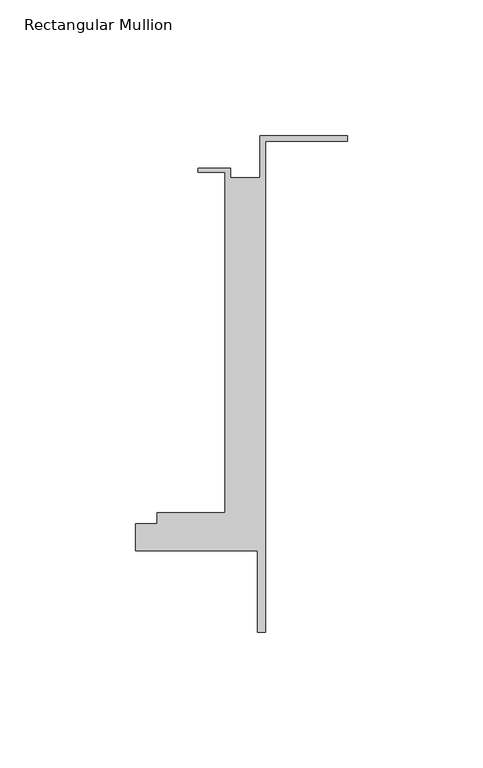
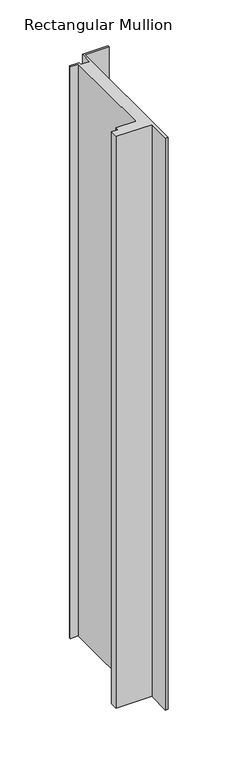
"""IFC4 building model written with IfcOpenShell, lengths in millimetres: member geometry, Rectangular Mullion."""

import ifcopenshell
import ifcopenshell.guid

model = None  # the IFC model being written
_history = None  # IfcOwnerHistory: only IFC2X3 demands one
_inside = {}  # id of a spatial element -> (the spatial element, [elements in it])
_under = {}  # id of a project, library or spatial element -> (it, [spatial elements below it])
_declared = {}  # id of a project -> (the project, [libraries it declares])
_typed = {}  # id of a type object -> (the type object, [elements of that type])
_made_of = {}  # id of a material, layer set ... -> (it, [elements and type objects made of it])


def new_model(schema):
    """Start an empty IFC model of exactly this schema.

    Asked for "IFC4X3", IfcOpenShell would pick the latest addendum, in which some entities
    have other attributes; the version numbers below select the first issue.
    IFC2X3 requires an IfcOwnerHistory on every rooted entity: one is made here for all.
    """
    global model, _history
    if schema == "IFC4X3":
        model = ifcopenshell.file(schema_version=(4, 3, 0, 0))
    else:
        model = ifcopenshell.file(schema=schema)
    _inside.clear()
    _under.clear()
    _declared.clear()
    _typed.clear()
    _made_of.clear()
    _history = None
    if model.schema == "IFC2X3":
        org = make("IfcOrganization", Name="unknown")
        user = make(
            "IfcPersonAndOrganization",
            ThePerson=make("IfcPerson", FamilyName="unknown"),
            TheOrganization=org,
        )
        app = make(
            "IfcApplication",
            ApplicationDeveloper=org,
            Version="unknown",
            ApplicationFullName="unknown",
            ApplicationIdentifier="unknown",
        )
        _history = make(
            "IfcOwnerHistory",
            OwningUser=user,
            OwningApplication=app,
            ChangeAction="ADDED",
            CreationDate=0,
        )
    return model


def make(cls, **values):
    """One entity of the class cls with the attributes given. An attribute that is None is left unset."""
    return model.create_entity(
        cls, **{name: value for name, value in values.items() if value is not None}
    )


def rooted(cls, **values):
    """An entity with a GlobalId (a new one), such as an element, a storey or a relation."""
    return make(cls, GlobalId=ifcopenshell.guid.new(), OwnerHistory=_history, **values)


def si_unit(unit_type, name, prefix=None):
    """IfcSIUnit, for example si_unit("LENGTHUNIT", "METRE", prefix="MILLI")."""
    return make("IfcSIUnit", UnitType=unit_type, Prefix=prefix, Name=name)


def assignment(units):
    """IfcUnitAssignment: the units of a project."""
    return None if units is None else make("IfcUnitAssignment", Units=units)


def point(xyz):
    """IfcCartesianPoint."""
    return None if xyz is None else make("IfcCartesianPoint", Coordinates=xyz)


def direction(xyz):
    """IfcDirection."""
    return None if xyz is None else make("IfcDirection", DirectionRatios=xyz)


def frame(location, z_axis=None, x_axis=None):
    """IfcAxis2Placement3D, a coordinate frame: its origin and axes. An axis left out is left unset."""
    return make(
        "IfcAxis2Placement3D",
        Location=point(location),
        Axis=direction(z_axis),
        RefDirection=direction(x_axis),
    )


def origin():
    """The frame at (0, 0, 0) with its axes left unset."""
    return frame((0.0, 0.0, 0.0))


def place(relative_to, where):
    """IfcLocalPlacement: puts the frame where relative to a parent placement (None: the world)."""
    return make(
        "IfcLocalPlacement", PlacementRelTo=relative_to, RelativePlacement=where
    )


def context(
    kind, dimensions, precision=None, world=None, true_north=None, identifier=None
):
    """IfcGeometricRepresentationContext, for example the 3D "Model" context."""
    return make(
        "IfcGeometricRepresentationContext",
        ContextIdentifier=identifier,
        ContextType=kind,
        CoordinateSpaceDimension=dimensions,
        Precision=precision,
        WorldCoordinateSystem=world,
        TrueNorth=true_north,
    )


def project(units=None, contexts=None):
    """IfcProject with its units and contexts."""
    return rooted(
        "IfcProject",
        Name="project",
        RepresentationContexts=contexts,
        UnitsInContext=assignment(units),
    )


def spatial(cls, under=None, at=None, **own):
    """A site, building, storey or space (cls), placed at a placement, below another one or the project."""
    s = rooted(cls, ObjectPlacement=at, **own)
    if under is not None:
        _under.setdefault(under.id(), (under, []))[1].append(s)
    return s


def polyline(points):
    """IfcPolyline through the points."""
    return make("IfcPolyline", Points=[point(p) for p in points])


def outline(outer, holes=None, kind="AREA"):
    """IfcArbitraryClosedProfileDef: a profile drawn as a closed curve; with holes, ...WithVoids."""
    if holes is None:
        return make("IfcArbitraryClosedProfileDef", ProfileType=kind, OuterCurve=outer)
    return make(
        "IfcArbitraryProfileDefWithVoids",
        ProfileType=kind,
        OuterCurve=outer,
        InnerCurves=holes,
    )


def extrude(swept, where, along, depth):
    """IfcExtrudedAreaSolid: the profile swept, set in the frame where, extruded along a direction by depth."""
    return make(
        "IfcExtrudedAreaSolid",
        SweptArea=swept,
        Position=where,
        ExtrudedDirection=direction(along),
        Depth=depth,
    )


def shape(context_of_items, identifier, shape_type, items):
    """IfcShapeRepresentation: the items that make up one representation, for example the "Body"."""
    return make(
        "IfcShapeRepresentation",
        ContextOfItems=context_of_items,
        RepresentationIdentifier=identifier,
        RepresentationType=shape_type,
        Items=items,
    )


def source(mapping_origin, context_of_items, identifier, shape_type, items):
    """IfcRepresentationMap: a shape defined once, which mapped items show again and again."""
    return make(
        "IfcRepresentationMap",
        MappingOrigin=mapping_origin,
        MappedRepresentation=shape(context_of_items, identifier, shape_type, items),
    )


def transform(
    local_origin,
    x_axis=None,
    y_axis=None,
    z_axis=None,
    scale=None,
    scale2=None,
    scale3=None,
    uniform=True,
):
    """IfcCartesianTransformationOperator3D, or its non-uniform kind. x_axis, y_axis, z_axis: its Axis1, 2, 3."""
    if uniform:
        return make(
            "IfcCartesianTransformationOperator3D",
            Axis1=direction(x_axis),
            Axis2=direction(y_axis),
            LocalOrigin=point(local_origin),
            Scale=scale,
            Axis3=direction(z_axis),
        )
    return make(
        "IfcCartesianTransformationOperator3DnonUniform",
        Axis1=direction(x_axis),
        Axis2=direction(y_axis),
        LocalOrigin=point(local_origin),
        Scale=scale,
        Axis3=direction(z_axis),
        Scale2=scale2,
        Scale3=scale3,
    )


def mapped(mapping_source, mapping_target):
    """IfcMappedItem: shows the shape of a source again, moved by a transform."""
    return make(
        "IfcMappedItem", MappingSource=mapping_source, MappingTarget=mapping_target
    )


def made_of(thing, what):
    """Note that an element or type object is made of a material, layer set ...; save() writes the relation."""
    if what is not None:
        _made_of.setdefault(what.id(), (what, []))[1].append(thing)
    return thing


def element(
    cls,
    number,
    at=None,
    inside=None,
    cuts=None,
    type_object=None,
    material=None,
    context=None,
    identifier="Body",
    shape_type=None,
    held_by="IfcProductDefinitionShape",
    body=None,
    shapes=None,
    **own,
):
    """One element of the class cls, such as IfcWall. Its Tag is "e" and its number.

    at: its placement. inside: the storey or other place that contains it. cuts: it is an
    opening in that element (IfcRelVoidsElement). A single representation is given by context,
    identifier, shape_type and body (its items); several are given by shapes. held_by: the class
    of the entity that holds the representations. save() writes the other relations.
    """
    e = rooted(cls, Tag="e%d" % number, ObjectPlacement=at, **own)
    if body is not None:
        shapes = [shape(context, identifier, shape_type, body)]
    if shapes is not None:
        e.Representation = make(held_by, Representations=shapes)
    if inside is not None:
        _inside.setdefault(inside.id(), (inside, []))[1].append(e)
    if cuts is not None:
        rooted(
            "IfcRelVoidsElement", RelatingBuildingElement=cuts, RelatedOpeningElement=e
        )
    if type_object is not None:
        _typed.setdefault(type_object.id(), (type_object, []))[1].append(e)
    return made_of(e, material)


def aggregate(whole, parts):
    """IfcRelAggregates: a whole, such as a stair, and the parts it consists of."""
    return rooted("IfcRelAggregates", RelatingObject=whole, RelatedObjects=parts)


def save(model, path):
    """Write the relations noted so far, then the file.

    IfcRelAggregates (storeys below a building ...), IfcRelContainedInSpatialStructure (elements
    in a storey), IfcRelDefinesByType, IfcRelAssociatesMaterial and IfcRelDeclares: one each for
    every whole, place, type object, material and project.
    """
    for whole, parts in _under.values():
        aggregate(whole, parts)
    for where, things in _inside.values():
        rooted(
            "IfcRelContainedInSpatialStructure",
            RelatedElements=things,
            RelatingStructure=where,
        )
    for kind, things in _typed.values():
        rooted("IfcRelDefinesByType", RelatedObjects=things, RelatingType=kind)
    for what, things in _made_of.values():
        rooted("IfcRelAssociatesMaterial", RelatedObjects=things, RelatingMaterial=what)
    for by, libraries in _declared.values():
        rooted("IfcRelDeclares", RelatingContext=by, RelatedDefinitions=libraries)
    model.write(path)


def rectangular_mullion_fd96c0a5(model_context):
    return source(origin(), model_context, "Body", "SweptSolid", [
        extrude(outline(polyline([(-32.1465839, 41.25), (0.0, 41.25), (0.0, 39.25), (-30.1465839, 39.25), (-30.1465839, -141.75), (-33.1466122, -141.75), (-33.1466122, -111.75), (-78.1466122, -111.75), (-78.1466122, -101.75), (-70.1466122, -101.75), (-70.1466122, -97.75), (-45.1465839, -97.75), (-45.1465839, 27.75), (-55.1465839, 27.75), (-55.1465839, 29.25), (-43.1465839, 29.25), (-43.1465839, 25.75), (-32.1465839, 25.75), (-32.1465839, 41.25)])), frame((0.0, 0.0, -759.4490472), z_axis=(0.0, 0.0, 1.0), x_axis=(1.0, 0.0, 0.0)), (0.0, 0.0, 1.0), 759.4490472),
    ])


if __name__ == "__main__":
    model = new_model("IFC4")
    model_context = context("Model", 3, world=origin())
    ifc_project = project(units=[si_unit("LENGTHUNIT", "METRE", prefix="MILLI")], contexts=[model_context])
    site = spatial("IfcSite", under=ifc_project)
    building = spatial("IfcBuilding", under=site)
    placement = place(None, origin())
    rectangular_mullion_shape = rectangular_mullion_fd96c0a5(model_context)
    element("IfcMember", 1, ObjectType="Rectangular Mullion", at=placement, inside=building, context=model_context, shape_type="MappedRepresentation", body=[
        mapped(rectangular_mullion_shape, transform((0.0, 0.0, 0.0), x_axis=(1.0, 0.0, 0.0), y_axis=(0.0, 1.0, 0.0), z_axis=(0.0, 0.0, 1.0))),
    ])
    save(model, "model.ifc")
